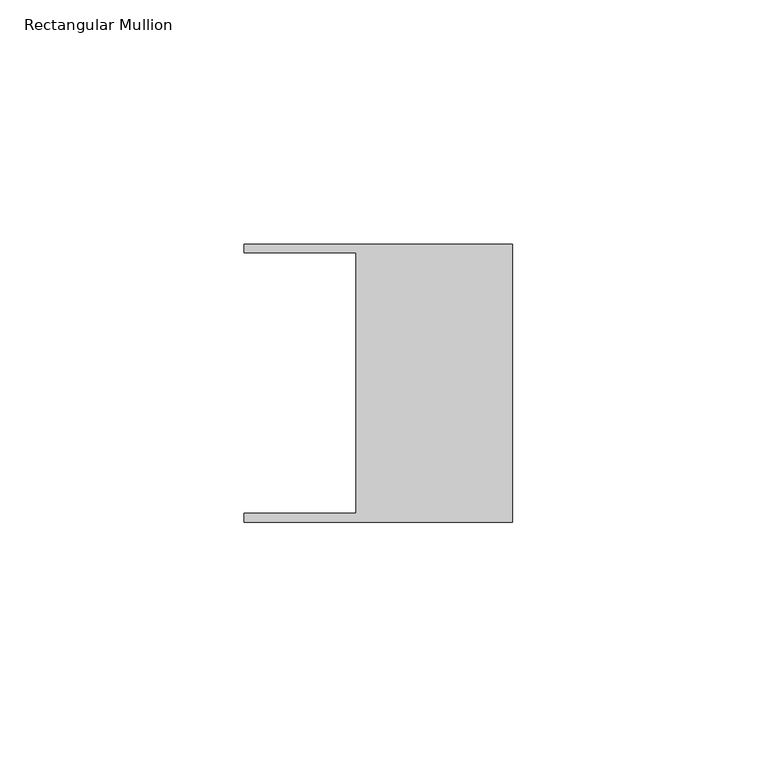
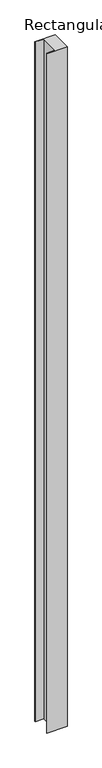
"""IFC4 building model written with IfcOpenShell, lengths in millimetres: member geometry, Rectangular Mullion."""

from ifc_helpers import new_model, si_unit, frame, origin, place, context, project, spatial, polyline, outline, extrude, source, transform, mapped, element, save


def rectangular_mullion_69304393(model_context):
    return source(origin(), model_context, "Body", "SweptSolid", [
        extrude(outline(polyline([(-32.004, -26.67), (-32.004, 26.67), (-54.991, 26.67), (-54.991, 28.448), (0.0, 28.448), (0.0, -28.448), (-54.991, -28.448), (-54.991, -26.67), (-32.004, -26.67)])), frame((0.0, 0.0, -1964.2666667), z_axis=(0.0, 0.0, 1.0), x_axis=(1.0, 0.0, 0.0)), (0.0, 0.0, 1.0), 1964.2666667),
    ])


if __name__ == "__main__":
    model = new_model("IFC4")
    model_context = context("Model", 3, world=origin())
    ifc_project = project(units=[si_unit("LENGTHUNIT", "METRE", prefix="MILLI")], contexts=[model_context])
    site = spatial("IfcSite", under=ifc_project)
    building = spatial("IfcBuilding", under=site)
    placement = place(None, origin())
    rectangular_mullion_shape = rectangular_mullion_69304393(model_context)
    element("IfcMember", 1, ObjectType="Rectangular Mullion", at=placement, inside=building, context=model_context, shape_type="MappedRepresentation", body=[
        mapped(rectangular_mullion_shape, transform((0.0, 0.0, 0.0), x_axis=(1.0, 0.0, 0.0), y_axis=(0.0, 1.0, 0.0), z_axis=(0.0, 0.0, 1.0))),
    ])
    save(model, "model.ifc")
